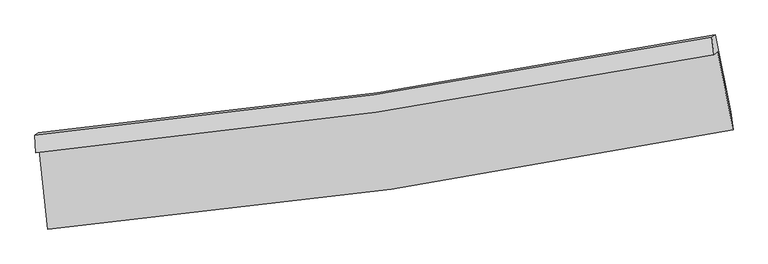
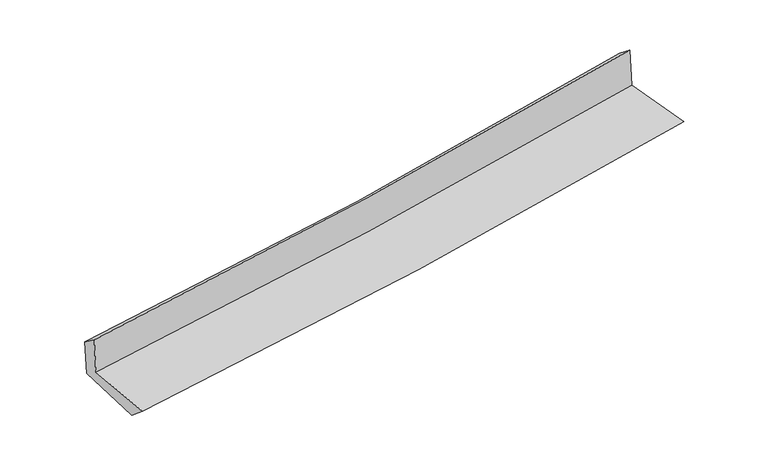
"""IFC4 building model written with IfcOpenShell, lengths in millimetres: proxy geometry."""

import ifcopenshell
import ifcopenshell.guid

model = None  # the IFC model being written
_history = None  # IfcOwnerHistory: only IFC2X3 demands one
_inside = {}  # id of a spatial element -> (the spatial element, [elements in it])
_under = {}  # id of a project, library or spatial element -> (it, [spatial elements below it])
_declared = {}  # id of a project -> (the project, [libraries it declares])
_typed = {}  # id of a type object -> (the type object, [elements of that type])
_made_of = {}  # id of a material, layer set ... -> (it, [elements and type objects made of it])


def new_model(schema):
    """Start an empty IFC model of exactly this schema.

    Asked for "IFC4X3", IfcOpenShell would pick the latest addendum, in which some entities
    have other attributes; the version numbers below select the first issue.
    IFC2X3 requires an IfcOwnerHistory on every rooted entity: one is made here for all.
    """
    global model, _history
    if schema == "IFC4X3":
        model = ifcopenshell.file(schema_version=(4, 3, 0, 0))
    else:
        model = ifcopenshell.file(schema=schema)
    _inside.clear()
    _under.clear()
    _declared.clear()
    _typed.clear()
    _made_of.clear()
    _history = None
    if model.schema == "IFC2X3":
        org = make("IfcOrganization", Name="unknown")
        user = make(
            "IfcPersonAndOrganization",
            ThePerson=make("IfcPerson", FamilyName="unknown"),
            TheOrganization=org,
        )
        app = make(
            "IfcApplication",
            ApplicationDeveloper=org,
            Version="unknown",
            ApplicationFullName="unknown",
            ApplicationIdentifier="unknown",
        )
        _history = make(
            "IfcOwnerHistory",
            OwningUser=user,
            OwningApplication=app,
            ChangeAction="ADDED",
            CreationDate=0,
        )
    return model


def make(cls, **values):
    """One entity of the class cls with the attributes given. An attribute that is None is left unset."""
    return model.create_entity(
        cls, **{name: value for name, value in values.items() if value is not None}
    )


def rooted(cls, **values):
    """An entity with a GlobalId (a new one), such as an element, a storey or a relation."""
    return make(cls, GlobalId=ifcopenshell.guid.new(), OwnerHistory=_history, **values)


def si_unit(unit_type, name, prefix=None):
    """IfcSIUnit, for example si_unit("LENGTHUNIT", "METRE", prefix="MILLI")."""
    return make("IfcSIUnit", UnitType=unit_type, Prefix=prefix, Name=name)


def assignment(units):
    """IfcUnitAssignment: the units of a project."""
    return None if units is None else make("IfcUnitAssignment", Units=units)


def point(xyz):
    """IfcCartesianPoint."""
    return None if xyz is None else make("IfcCartesianPoint", Coordinates=xyz)


def direction(xyz):
    """IfcDirection."""
    return None if xyz is None else make("IfcDirection", DirectionRatios=xyz)


def frame(location, z_axis=None, x_axis=None):
    """IfcAxis2Placement3D, a coordinate frame: its origin and axes. An axis left out is left unset."""
    return make(
        "IfcAxis2Placement3D",
        Location=point(location),
        Axis=direction(z_axis),
        RefDirection=direction(x_axis),
    )


def origin():
    """The frame at (0, 0, 0) with its axes left unset."""
    return frame((0.0, 0.0, 0.0))


def place(relative_to, where):
    """IfcLocalPlacement: puts the frame where relative to a parent placement (None: the world)."""
    return make(
        "IfcLocalPlacement", PlacementRelTo=relative_to, RelativePlacement=where
    )


def context(
    kind, dimensions, precision=None, world=None, true_north=None, identifier=None
):
    """IfcGeometricRepresentationContext, for example the 3D "Model" context."""
    return make(
        "IfcGeometricRepresentationContext",
        ContextIdentifier=identifier,
        ContextType=kind,
        CoordinateSpaceDimension=dimensions,
        Precision=precision,
        WorldCoordinateSystem=world,
        TrueNorth=true_north,
    )


def project(units=None, contexts=None):
    """IfcProject with its units and contexts."""
    return rooted(
        "IfcProject",
        Name="project",
        RepresentationContexts=contexts,
        UnitsInContext=assignment(units),
    )


def spatial(cls, under=None, at=None, **own):
    """A site, building, storey or space (cls), placed at a placement, below another one or the project."""
    s = rooted(cls, ObjectPlacement=at, **own)
    if under is not None:
        _under.setdefault(under.id(), (under, []))[1].append(s)
    return s


def shape(context_of_items, identifier, shape_type, items):
    """IfcShapeRepresentation: the items that make up one representation, for example the "Body"."""
    return make(
        "IfcShapeRepresentation",
        ContextOfItems=context_of_items,
        RepresentationIdentifier=identifier,
        RepresentationType=shape_type,
        Items=items,
    )


def source(mapping_origin, context_of_items, identifier, shape_type, items):
    """IfcRepresentationMap: a shape defined once, which mapped items show again and again."""
    return make(
        "IfcRepresentationMap",
        MappingOrigin=mapping_origin,
        MappedRepresentation=shape(context_of_items, identifier, shape_type, items),
    )


def transform(
    local_origin,
    x_axis=None,
    y_axis=None,
    z_axis=None,
    scale=None,
    scale2=None,
    scale3=None,
    uniform=True,
):
    """IfcCartesianTransformationOperator3D, or its non-uniform kind. x_axis, y_axis, z_axis: its Axis1, 2, 3."""
    if uniform:
        return make(
            "IfcCartesianTransformationOperator3D",
            Axis1=direction(x_axis),
            Axis2=direction(y_axis),
            LocalOrigin=point(local_origin),
            Scale=scale,
            Axis3=direction(z_axis),
        )
    return make(
        "IfcCartesianTransformationOperator3DnonUniform",
        Axis1=direction(x_axis),
        Axis2=direction(y_axis),
        LocalOrigin=point(local_origin),
        Scale=scale,
        Axis3=direction(z_axis),
        Scale2=scale2,
        Scale3=scale3,
    )


def mapped(mapping_source, mapping_target):
    """IfcMappedItem: shows the shape of a source again, moved by a transform."""
    return make(
        "IfcMappedItem", MappingSource=mapping_source, MappingTarget=mapping_target
    )


def made_of(thing, what):
    """Note that an element or type object is made of a material, layer set ...; save() writes the relation."""
    if what is not None:
        _made_of.setdefault(what.id(), (what, []))[1].append(thing)
    return thing


def element(
    cls,
    number,
    at=None,
    inside=None,
    cuts=None,
    type_object=None,
    material=None,
    context=None,
    identifier="Body",
    shape_type=None,
    held_by="IfcProductDefinitionShape",
    body=None,
    shapes=None,
    **own,
):
    """One element of the class cls, such as IfcWall. Its Tag is "e" and its number.

    at: its placement. inside: the storey or other place that contains it. cuts: it is an
    opening in that element (IfcRelVoidsElement). A single representation is given by context,
    identifier, shape_type and body (its items); several are given by shapes. held_by: the class
    of the entity that holds the representations. save() writes the other relations.
    """
    e = rooted(cls, Tag="e%d" % number, ObjectPlacement=at, **own)
    if body is not None:
        shapes = [shape(context, identifier, shape_type, body)]
    if shapes is not None:
        e.Representation = make(held_by, Representations=shapes)
    if inside is not None:
        _inside.setdefault(inside.id(), (inside, []))[1].append(e)
    if cuts is not None:
        rooted(
            "IfcRelVoidsElement", RelatingBuildingElement=cuts, RelatedOpeningElement=e
        )
    if type_object is not None:
        _typed.setdefault(type_object.id(), (type_object, []))[1].append(e)
    return made_of(e, material)


def aggregate(whole, parts):
    """IfcRelAggregates: a whole, such as a stair, and the parts it consists of."""
    return rooted("IfcRelAggregates", RelatingObject=whole, RelatedObjects=parts)


def save(model, path):
    """Write the relations noted so far, then the file.

    IfcRelAggregates (storeys below a building ...), IfcRelContainedInSpatialStructure (elements
    in a storey), IfcRelDefinesByType, IfcRelAssociatesMaterial and IfcRelDeclares: one each for
    every whole, place, type object, material and project.
    """
    for whole, parts in _under.values():
        aggregate(whole, parts)
    for where, things in _inside.values():
        rooted(
            "IfcRelContainedInSpatialStructure",
            RelatedElements=things,
            RelatingStructure=where,
        )
    for kind, things in _typed.values():
        rooted("IfcRelDefinesByType", RelatedObjects=things, RelatingType=kind)
    for what, things in _made_of.values():
        rooted("IfcRelAssociatesMaterial", RelatedObjects=things, RelatingMaterial=what)
    for by, libraries in _declared.values():
        rooted("IfcRelDeclares", RelatingContext=by, RelatedDefinitions=libraries)
    model.write(path)


def plane_surface(at):
    """IfcPlane: the flat surface through the origin of the frame at, square to its z axis."""
    return make("IfcPlane", Position=at)


def spline_curve(degree, points, multiplicities, knots, weights=None):
    """IfcBSplineCurveWithKnots; with weights, IfcRationalBSplineCurveWithKnots."""
    own = dict(
        Degree=degree,
        ControlPointsList=[point(p) for p in points],
        CurveForm="UNSPECIFIED",
        ClosedCurve=False,
        SelfIntersect=False,
        KnotMultiplicities=multiplicities,
        Knots=knots,
        KnotSpec="UNSPECIFIED",
    )
    if weights is None:
        return make("IfcBSplineCurveWithKnots", **own)
    return make("IfcRationalBSplineCurveWithKnots", WeightsData=weights, **own)


def spline_surface(u_degree, v_degree, points, u_multiplicities, v_multiplicities, u_knots, v_knots, weights=None):
    """IfcBSplineSurfaceWithKnots; with weights, IfcRationalBSplineSurfaceWithKnots. points: one row for each step in u."""
    own = dict(
        UDegree=u_degree,
        VDegree=v_degree,
        ControlPointsList=[[point(p) for p in row] for row in points],
        SurfaceForm="UNSPECIFIED",
        UClosed=False,
        VClosed=False,
        SelfIntersect=False,
        UMultiplicities=u_multiplicities,
        VMultiplicities=v_multiplicities,
        UKnots=u_knots,
        VKnots=v_knots,
        KnotSpec="UNSPECIFIED",
    )
    if weights is None:
        return make("IfcBSplineSurfaceWithKnots", **own)
    return make("IfcRationalBSplineSurfaceWithKnots", WeightsData=weights, **own)


def advanced_brep(points, edges, surfaces, faces):
    """IfcAdvancedBrep: a solid bounded by faces that lie on surfaces and meet in shared edges.

    An edge is (start, end): straight between two places in points (the first is 0);
    or (start, end, curve); or (start, end, curve, False) where it runs against its curve.
    A face is (place in surfaces, loops), or (place, loops, False) where it looks against
    its surface's normal. A loop lists edges by number (the first is 1), with a minus sign
    where the edge is run from its end to its start. The first loop is the outer one.
    """
    corners = [point(p) for p in points]
    vertices = [make("IfcVertexPoint", VertexGeometry=c) for c in corners]
    made = []
    for start, end, *more in edges:
        made.append(
            make(
                "IfcEdgeCurve",
                EdgeStart=vertices[start],
                EdgeEnd=vertices[end],
                EdgeGeometry=more[0] if more else make("IfcPolyline", Points=[corners[start], corners[end]]),
                SameSense=more[1] if len(more) > 1 else True,
            )
        )
    hull = []
    for where, loops, *sense in faces:
        bounds = []
        for j, loop in enumerate(loops):
            ring = [make("IfcOrientedEdge", EdgeElement=made[abs(k) - 1], Orientation=k > 0) for k in loop]
            bounds.append(
                make(
                    "IfcFaceOuterBound" if j == 0 else "IfcFaceBound",
                    Bound=make("IfcEdgeLoop", EdgeList=ring),
                    Orientation=True,
                )
            )
        hull.append(make("IfcAdvancedFace", Bounds=bounds, FaceSurface=surfaces[where], SameSense=sense[0] if sense else True))
    return make("IfcAdvancedBrep", Outer=make("IfcClosedShell", CfsFaces=hull))


def generic_models_b05467a9(model_context):
    return source(origin(), model_context, "Body", "AdvancedBrep", [
        advanced_brep(
        [(-2979.8997812, -1896.4879661, 1658.3728558), (-2905.594161, -2581.8318362, 1628.8988455), (3058.550364, -1716.5522219, 2113.5209397), (2924.9526484, -1040.0503385, 2137.6687133), (-3009.6759344, -1919.1979776, 2027.5438535), (2892.4349831, -1064.8512774, 2540.829555), (-3015.8392442, -1768.1665393, 1916.7931621), (2874.4545952, -915.1973838, 2421.1876917), (-2986.7518642, -1745.9818491, 1556.1617183), (2903.3686103, -893.1449175, 2062.7056621), (-2911.3053432, -2404.3839359, 1481.2087248), (3040.0092737, -1562.5396729, 1990.7943518)],
        [
            (0, 1),
            (1, 2, spline_curve(3, [(-2905.594161, -2581.8318362, 1628.8988455), (-1905.27575472, -2494.559929363, 1720.321174583), (-908.653016532, -2378.929083234, 1806.378581344), (1079.411631783, -2090.628954131, 1967.943193623), (2070.8370684, -1917.833262289, 2043.426484544), (3058.550364, -1716.5522219, 2113.5209397)], [4, 2, 4], [0.0, 9.862038758047396, 19.746032919216923])),
            (2, 3),
            (3, 0, spline_curve(3, [(2924.9526484, -1040.0503385, 2137.6687133), (1945.999139818, -1232.839519607, 2068.738444067), (963.900728352, -1400.655531354, 1994.281439219), (-1004.397370916, -1686.023917585, 1834.491627366), (-1990.583102764, -1803.687114993, 1749.1833463), (-2979.8997812, -1896.4879661, 1658.3728558)], [4, 2, 4], [0.0, 9.883994161169527, 19.746032919216923])),
            (4, 0),
            (3, 5),
            (5, 4, spline_curve(3, [(2892.4349831, -1064.8512774, 2540.829555), (1914.091716209, -1257.175032779, 2464.333382462), (932.527053796, -1424.583958468, 2383.258842816), (-1034.857547469, -1709.255627743, 2212.143291538), (-2020.663191228, -1826.628935373, 2122.12259743), (-3009.6759344, -1919.1979776, 2027.5438535)], [4, 2, 4], [0.0, 9.833874479101695, 19.645904886371646])),
            (6, 4),
            (5, 7),
            (7, 6, spline_curve(3, [(2874.4545952, -915.1973838, 2421.1876917), (1898.818479469, -1106.621257706, 2336.731830511), (919.592835052, -1273.465692154, 2252.424451649), (-1043.85437367, -1557.679668361, 2084.293600649), (-2028.060009417, -1675.158285349, 2000.46946989), (-3015.8392442, -1768.1665393, 1916.7931621)], [4, 2, 4], [0.0, 9.823245402098305, 19.624670342827056])),
            (8, 6),
            (7, 9),
            (9, 8, spline_curve(3, [(2903.3686103, -893.1449175, 2062.7056621), (1927.191082644, -1084.981721325, 1984.962338909), (947.709512753, -1252.021348243, 1903.827980383), (-1015.678641033, -1536.190283353, 1734.964950816), (-1999.570562798, -1653.429633692, 1647.251327704), (-2986.7518642, -1745.9818491, 1556.1617183)], [4, 2, 4], [0.0, 9.812865049113144, 19.603932694826074])),
            (10, 8),
            (9, 11),
            (11, 10, spline_curve(3, [(3040.0092737, -1562.5396729, 1990.7943518), (2053.459329723, -1753.007317335, 1912.501390743), (1063.686459793, -1918.445031445, 1830.838481657), (-920.099381302, -2198.948711109, 1660.961650977), (-1914.098050323, -2314.12575106, 1572.762684656), (-2911.3053432, -2404.3839359, 1481.2087248)], [4, 2, 4], [0.0, 9.861436012046376, 19.700966729585577])),
            (1, 10),
            (11, 2),
        ],
        [
            spline_surface(3, 3, [[(-2979.8997812, -1896.4879661, 1658.3728558), (-1990.583102604, -1803.687115101, 1749.183346328), (-1004.397370936, -1686.023917558, 1834.491627434), (963.900728372, -1400.655531381, 1994.281439152), (1945.999139855, -1232.839519717, 2068.738443913), (2924.9526484, -1040.0503385, 2137.6687133)], [(-2955.131241122, -2124.935922799, 1648.548185692), (-1962.147319988, -2033.978053211, 1739.562622363), (-972.482586153, -1916.992306107, 1825.120612116), (1002.404362823, -1630.646672271, 1985.502023931), (1987.61178273, -1461.170767197, 2060.301124128), (2969.485220256, -1265.550966286, 2129.619455438)], [(-2930.362701078, -2353.383879501, 1638.723515608), (-1933.711537406, -2264.268991324, 1729.941898421), (-940.567801313, -2147.96069471, 1815.749596797), (1040.90799733, -1860.637813216, 1976.722608709), (2029.224425639, -1689.502014719, 2051.863804327), (3014.017792144, -1491.051594114, 2121.570197562)], [(-2905.594161, -2581.8318362, 1628.8988455), (-1905.27575479, -2494.559929434, 1720.321174455), (-908.65301653, -2378.929083259, 1806.378581479), (1079.411631781, -2090.628954106, 1967.943193488), (2070.837068514, -1917.8332622, 2043.426484541), (3058.550364, -1716.5522219, 2113.5209397)]], [4, 4], [4, 2, 4], [0.0, 2.2965568497477853], [0.0, 9.862038758047396, 19.746032919216923]),
            spline_surface(3, 3, [[(-3009.6759344, -1919.1979776, 2027.5438535), (-2020.663191074, -1826.628935372, 2122.122597318), (-1034.857547511, -1709.255627744, 2212.143291582), (932.527053839, -1424.583958467, 2383.258842772), (1914.091716141, -1257.175032698, 2464.333382313), (2892.4349831, -1064.8512774, 2540.829555)], [(-2999.750550024, -1911.62797378, 1904.486854277), (-2010.636494941, -1818.981661962, 1997.809513666), (-1024.704155313, -1701.511724353, 2086.259403505), (942.984945357, -1416.607816109, 2253.599708205), (1924.727524063, -1249.063195056, 2332.468402825), (2903.274204884, -1056.584297785, 2406.442607746)], [(-2989.825165576, -1904.05796992, 1781.429855023), (-2000.609798737, -1811.334388511, 1873.496429981), (-1014.550763135, -1693.76782095, 1960.37551551), (953.442836854, -1408.631673739, 2123.940573719), (1935.363331933, -1240.951357359, 2200.603423401), (2914.113426616, -1048.317318115, 2272.055660554)], [(-2979.8997812, -1896.4879661, 1658.3728558), (-1990.583102604, -1803.687115101, 1749.183346328), (-1004.397370936, -1686.023917558, 1834.491627434), (963.900728372, -1400.655531381, 1994.281439152), (1945.999139855, -1232.839519717, 2068.738443913), (2924.9526484, -1040.0503385, 2137.6687133)]], [4, 4], [4, 2, 4], [0.0, 1.2640887686143896], [0.0, 9.812030407269951, 19.645904886371646]),
            spline_surface(3, 3, [[(-3015.8392442, -1768.1665393, 1916.7931621), (-2028.060009412, -1675.158285512, 2000.469469844), (-1043.854373795, -1557.67966829, 2084.293600663), (919.592835177, -1273.465692225, 2252.424451634), (1898.818479396, -1106.621257615, 2336.731830641), (2874.4545952, -915.1973838, 2421.1876917)], [(-3013.784807597, -1818.510352049, 1953.710059242), (-2025.594403297, -1725.648502114, 2041.020512344), (-1040.85543172, -1608.204988127, 2126.910164306), (923.904241378, -1323.838447658, 2296.03591535), (1903.909558316, -1156.80584929, 2379.265681201), (2880.448057838, -965.082014981, 2461.068312803)], [(-3011.730371003, -1868.854164851, 1990.626956358), (-2023.12879719, -1776.13871877, 2081.571554818), (-1037.856489586, -1658.730307907, 2169.526727939), (928.215647638, -1374.211203034, 2339.647379056), (1909.000637221, -1206.990441022, 2421.799531752), (2886.441520462, -1014.966646219, 2500.948933897)], [(-3009.6759344, -1919.1979776, 2027.5438535), (-2020.663191074, -1826.628935372, 2122.122597318), (-1034.857547511, -1709.255627744, 2212.143291582), (932.527053839, -1424.583958467, 2383.258842772), (1914.091716141, -1257.175032698, 2464.333382313), (2892.4349831, -1064.8512774, 2540.829555)]], [4, 4], [4, 2, 4], [0.0, 0.6541664886300289], [0.0, 9.80142494072875, 19.624670342827056]),
            spline_surface(3, 3, [[(-2986.7518642, -1745.9818491, 1556.1617183), (-1999.570562651, -1653.429633761, 1647.251327861), (-1015.678641032, -1536.190283393, 1734.964950802), (947.709512752, -1252.021348203, 1903.827980397), (1927.191082652, -1084.981721391, 1984.962338745), (2903.3686103, -893.1449175, 2062.7056621)], [(-2996.447657531, -1753.376745839, 1676.372199545), (-2009.067044902, -1660.672517683, 1764.9907085), (-1025.07055195, -1543.353411674, 1851.407834096), (938.337286897, -1259.169462859, 2020.026804149), (1917.733548227, -1092.194900147, 2102.218836054), (2893.73060526, -900.495739615, 2182.199671977)], [(-3006.143450869, -1760.771642561, 1796.582680855), (-2018.563527161, -1667.915401589, 1882.730089204), (-1034.462462877, -1550.516540009, 1967.85071737), (928.965061033, -1266.317577569, 2136.225627882), (1908.276013821, -1099.408078859, 2219.475333331), (2884.09260024, -907.846561685, 2301.693681823)], [(-3015.8392442, -1768.1665393, 1916.7931621), (-2028.060009412, -1675.158285512, 2000.469469844), (-1043.854373795, -1557.67966829, 2084.293600663), (919.592835177, -1273.465692225, 2252.424451634), (1898.818479396, -1106.621257615, 2336.731830641), (2874.4545952, -915.1973838, 2421.1876917)]], [4, 4], [4, 2, 4], [0.0, 1.1507629017327163], [0.0, 9.79106764571293, 19.603932694826074]),
            spline_surface(3, 3, [[(-2911.3053432, -2404.3839359, 1481.2087248), (-1914.098050484, -2314.125751007, 1572.762684617), (-920.099381394, -2198.948711002, 1660.961651099), (1063.686459885, -1918.445031552, 1830.838481534), (2053.459329786, -1753.007317265, 1912.501390707), (3040.0092737, -1562.5396729, 1990.7943518)], [(-2936.45418353, -2184.916573621, 1506.193055968), (-1942.588887869, -2093.893711913, 1597.592232366), (-951.959134601, -1978.029235135, 1685.629417672), (1025.027477513, -1696.303803772, 1855.168314493), (2011.369914081, -1530.332118639, 1936.655040037), (2994.462385906, -1339.408087765, 2014.76478855)], [(-2961.60302387, -1965.449211379, 1531.177387132), (-1971.079725265, -1873.661672855, 1622.421780111), (-983.818887825, -1757.10975926, 1710.29718423), (986.368495124, -1474.162575983, 1879.498147438), (1969.280498357, -1307.656920017, 1960.808689415), (2948.915498094, -1116.276502635, 2038.73522535)], [(-2986.7518642, -1745.9818491, 1556.1617183), (-1999.570562651, -1653.429633761, 1647.251327861), (-1015.678641032, -1536.190283393, 1734.964950802), (947.709512752, -1252.021348203, 1903.827980397), (1927.191082652, -1084.981721391, 1984.962338745), (2903.3686103, -893.1449175, 2062.7056621)]], [4, 4], [4, 2, 4], [0.0, 2.221014836951704], [0.0, 9.839530717539201, 19.700966729585577]),
            spline_surface(3, 3, [[(-2905.594161, -2581.8318362, 1628.8988455), (-1905.27575479, -2494.559929434, 1720.321174455), (-908.65301653, -2378.929083259, 1806.378581479), (1079.411631781, -2090.628954106, 1967.943193488), (2070.837068514, -1917.8332622, 2043.426484541), (3058.550364, -1716.5522219, 2113.5209397)], [(-2907.497888396, -2522.682536112, 1579.668805275), (-1908.216520017, -2434.415203304, 1671.135011184), (-912.468471462, -2318.935625851, 1757.906271364), (1074.169907839, -2033.234313266, 1922.241622849), (2065.044488928, -1862.891280556, 1999.784786615), (3052.370000556, -1665.214705568, 2072.612077085)], [(-2909.401615804, -2463.533235988, 1530.438765025), (-1911.157285257, -2374.270477137, 1621.948847889), (-916.283926463, -2258.94216841, 1709.433961214), (1068.928183827, -1975.839672393, 1876.540052174), (2059.251909373, -1807.949298909, 1956.143088633), (3046.189637144, -1613.877189232, 2031.703214415)], [(-2911.3053432, -2404.3839359, 1481.2087248), (-1914.098050484, -2314.125751007, 1572.762684617), (-920.099381394, -2198.948711002, 1660.961651099), (1063.686459885, -1918.445031552, 1830.838481534), (2053.459329786, -1753.007317265, 1912.501390707), (3040.0092737, -1562.5396729, 1990.7943518)]], [4, 4], [4, 2, 4], [0.0, 0.741923871228424], [0.0, 9.89983935442373, 19.821718265698053]),
            plane_surface(frame((2948.9617458, -1198.7226353, 2211.1178189), z_axis=(0.9776333741607995, 0.18983460929408227, 0.09053069557411644), x_axis=(-0.08024501022724796, -0.0612021671847258, 0.9948944833827966))),
            plane_surface(frame((-2968.1777214, -2052.6750174, 1711.4965267), z_axis=(-0.9908556603552926, -0.10371807828022213, -0.0862995977959059), x_axis=(-0.10769085833527496, 0.9932663154461739, 0.04271657325902317))),
        ],
        [
            (0, [[1, 2, 3, 4]]),
            (1, [[5, -4, 6, 7]]),
            (2, [[8, -7, 9, 10]]),
            (3, [[11, -10, 12, 13]]),
            (4, [[14, -13, 15, 16]]),
            (5, [[17, -16, 18, -2]]),
            (6, [[-12, -9, -6, -3, -18, -15]]),
            (7, [[-1, -5, -8, -11, -14, -17]]),
        ],
    ),
    ])


if __name__ == "__main__":
    model = new_model("IFC4")
    model_context = context("Model", 3, world=origin())
    ifc_project = project(units=[si_unit("LENGTHUNIT", "METRE", prefix="MILLI")], contexts=[model_context])
    site = spatial("IfcSite", under=ifc_project)
    building = spatial("IfcBuilding", under=site)
    placement = place(None, origin())
    generic_models_shape = generic_models_b05467a9(model_context)
    element("IfcBuildingElementProxy", 1, Name="Generic Models", at=placement, inside=building, context=model_context, shape_type="MappedRepresentation", body=[
        mapped(generic_models_shape, transform((0.0, 0.0, 0.0), x_axis=(1.0, 0.0, 0.0), y_axis=(0.0, 1.0, 0.0), z_axis=(0.0, 0.0, 1.0))),
    ])
    save(model, "model.ifc")
